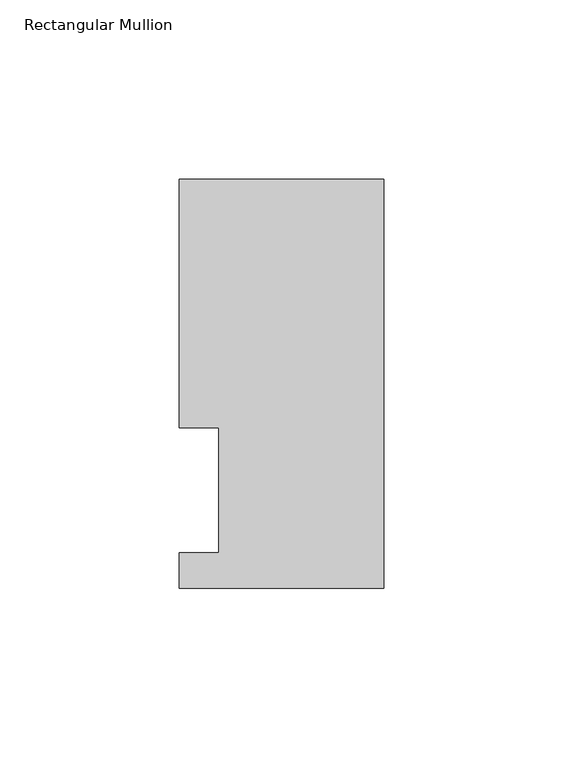
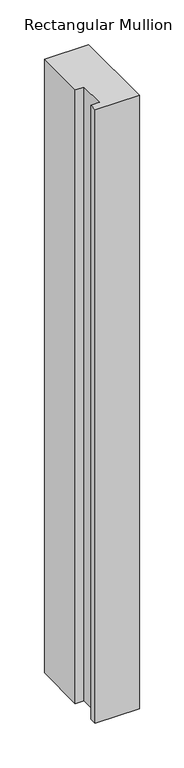
"""IFC4 building model written with IfcOpenShell, lengths in millimetres: member geometry, Rectangular Mullion."""

from ifc_helpers import new_model, si_unit, frame, origin, place, context, project, spatial, polyline, outline, extrude, source, transform, mapped, element, save


def rectangular_mullion_fc5e96be(model_context):
    return source(origin(), model_context, "Body", "SweptSolid", [
        extrude(outline(polyline([(0.0, 114.271425), (0.0, -0.028575), (-57.15, -0.028575), (-57.15, 9.877425), (-46.0375, 9.877425), (-46.0375, 44.802425), (-57.15, 44.802425), (-57.15, 114.271425), (0.0, 114.271425)])), frame((0.0, 0.0, -841.375), z_axis=(0.0, 0.0, 1.0), x_axis=(1.0, 0.0, 0.0)), (0.0, 0.0, 1.0), 841.375),
    ])


if __name__ == "__main__":
    model = new_model("IFC4")
    model_context = context("Model", 3, world=origin())
    ifc_project = project(units=[si_unit("LENGTHUNIT", "METRE", prefix="MILLI")], contexts=[model_context])
    site = spatial("IfcSite", under=ifc_project)
    building = spatial("IfcBuilding", under=site)
    placement = place(None, origin())
    rectangular_mullion_shape = rectangular_mullion_fc5e96be(model_context)
    element("IfcMember", 1, ObjectType="Rectangular Mullion", at=placement, inside=building, context=model_context, shape_type="MappedRepresentation", body=[
        mapped(rectangular_mullion_shape, transform((0.0, 0.0, 0.0), x_axis=(1.0, 0.0, 0.0), y_axis=(0.0, 1.0, 0.0), z_axis=(0.0, 0.0, 1.0))),
    ])
    save(model, "model.ifc")
